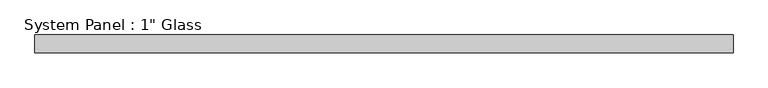
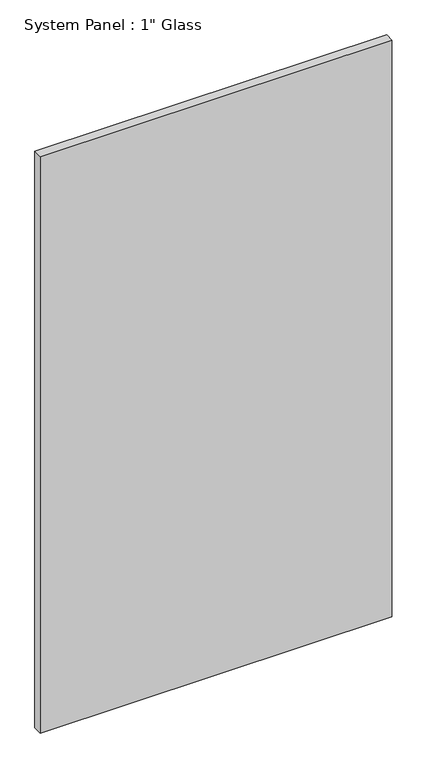
"""IFC4 building model written with IfcOpenShell, lengths in millimetres: plate geometry."""

from ifc_helpers import new_model, si_unit, origin, origin_with_axes, place, context, project, spatial, polyline, outline, extrude, source, transform, mapped, element, save


def plate_ca3d1a28(model_context):
    return source(origin(), model_context, "Body", "SweptSolid", [
        extrude(outline(polyline([(502.3284003, -12.7), (-502.3284003, -12.7), (-502.3284003, 12.7), (502.3284003, 12.7), (502.3284003, -12.7)])), origin_with_axes(), (0.0, 0.0, 1.0), 1739.9),
    ])


if __name__ == "__main__":
    model = new_model("IFC4")
    model_context = context("Model", 3, world=origin())
    ifc_project = project(units=[si_unit("LENGTHUNIT", "METRE", prefix="MILLI")], contexts=[model_context])
    site = spatial("IfcSite", under=ifc_project)
    building = spatial("IfcBuilding", under=site)
    placement = place(None, origin())
    plate_shape = plate_ca3d1a28(model_context)
    element("IfcPlate", 1, ObjectType="System Panel : 1\" Glass", at=placement, inside=building, context=model_context, shape_type="MappedRepresentation", body=[
        mapped(plate_shape, transform((0.0, 0.0, 0.0), x_axis=(1.0, 0.0, 0.0), y_axis=(0.0, 1.0, 0.0), z_axis=(0.0, 0.0, 1.0))),
    ])
    save(model, "model.ifc")
